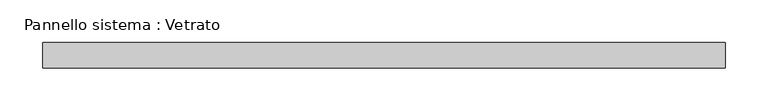
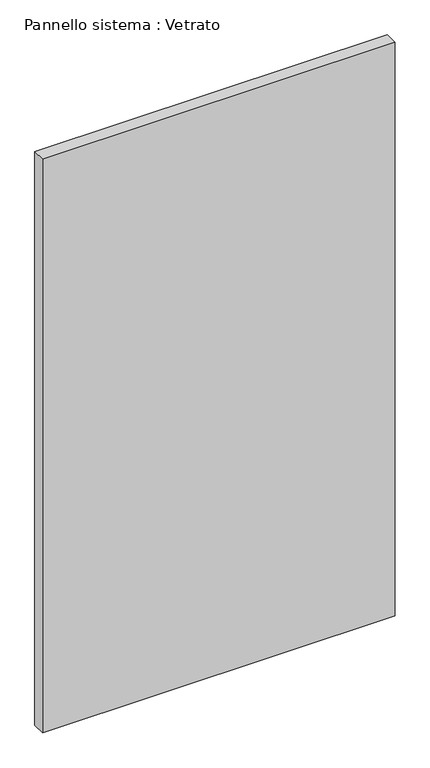
"""IFC4 building model written with IfcOpenShell, lengths in millimetres: plate geometry, Pannello sistema : Vetrato."""

from ifc_helpers import new_model, si_unit, origin, origin_with_axes, place, context, project, spatial, polyline, outline, extrude, source, transform, mapped, element, save


def pannello_sistema_vetrato_7039854c(model_context):
    return source(origin(), model_context, "Body", "SweptSolid", [
        extrude(outline(polyline([(399.9999998, -15.0), (-399.9999998, -15.0), (-399.9999998, 15.0), (399.9999998, 15.0), (399.9999998, -15.0)])), origin_with_axes(), (0.0, 0.0, 1.0), 1375.0),
    ])


if __name__ == "__main__":
    model = new_model("IFC4")
    model_context = context("Model", 3, world=origin())
    ifc_project = project(units=[si_unit("LENGTHUNIT", "METRE", prefix="MILLI")], contexts=[model_context])
    site = spatial("IfcSite", under=ifc_project)
    building = spatial("IfcBuilding", under=site)
    placement = place(None, origin())
    pannello_sistema_vetrato_shape = pannello_sistema_vetrato_7039854c(model_context)
    element("IfcPlate", 1, ObjectType="Pannello sistema : Vetrato", at=placement, inside=building, context=model_context, shape_type="MappedRepresentation", body=[
        mapped(pannello_sistema_vetrato_shape, transform((0.0, 0.0, 0.0), x_axis=(1.0, 0.0, 0.0), y_axis=(0.0, 1.0, 0.0), z_axis=(0.0, 0.0, 1.0))),
    ])
    save(model, "model.ifc")
